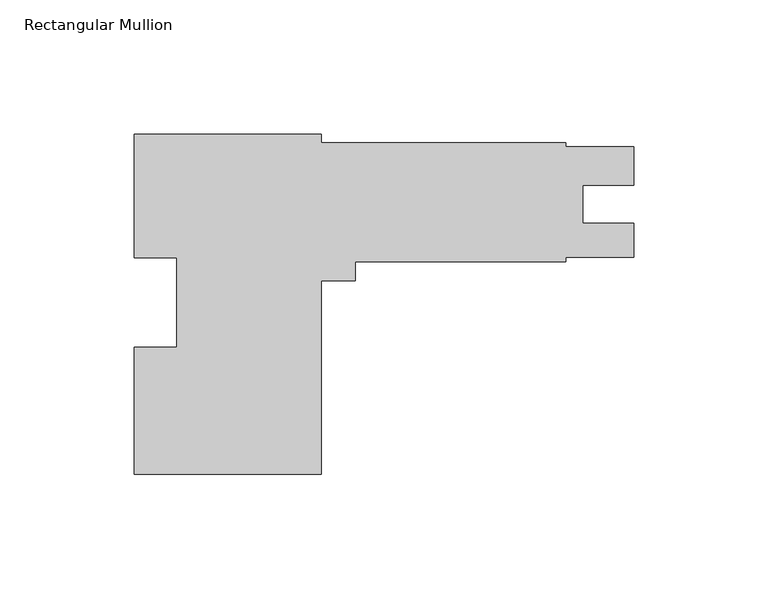
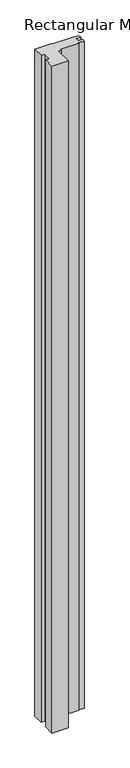
"""IFC4 building model written with IfcOpenShell, lengths in millimetres: member geometry, Rectangular Mullion."""

from ifc_helpers import new_model, si_unit, frame, origin, place, context, project, spatial, polyline, outline, extrude, source, transform, mapped, element, save


def rectangular_mullion_056deb19(model_context):
    return source(origin(), model_context, "Body", "SweptSolid", [
        extrude(outline(polyline([(-103.98125, 15.9639), (-103.98125, 8.801227), (-116.68125, 8.801227), (-116.68125, -63.4111), (-186.53125, -63.4111), (-186.53125, -15.9524201), (-170.65625, -15.9524201), (-170.65625, 17.3835766), (-186.53125, 17.3835766), (-186.53125, 63.5889), (-116.68125, 63.5889), (-116.68125, 60.4139), (-25.4, 60.4139), (-25.4, 58.8263837), (0.0, 58.8263837), (0.0, 44.5643), (-19.0372991, 44.5643), (-19.0372991, 30.2768), (0.0, 30.2768), (0.0, 17.5641), (-25.4, 17.5641), (-25.4, 15.9639), (-103.98125, 15.9639)])), frame((0.0, 0.0, -3048.0), z_axis=(0.0, 0.0, 1.0), x_axis=(1.0, 0.0, 0.0)), (0.0, 0.0, 1.0), 3048.0),
    ])


if __name__ == "__main__":
    model = new_model("IFC4")
    model_context = context("Model", 3, world=origin())
    ifc_project = project(units=[si_unit("LENGTHUNIT", "METRE", prefix="MILLI")], contexts=[model_context])
    site = spatial("IfcSite", under=ifc_project)
    building = spatial("IfcBuilding", under=site)
    placement = place(None, origin())
    rectangular_mullion_shape = rectangular_mullion_056deb19(model_context)
    element("IfcMember", 1, ObjectType="Rectangular Mullion", at=placement, inside=building, context=model_context, shape_type="MappedRepresentation", body=[
        mapped(rectangular_mullion_shape, transform((0.0, 0.0, 0.0), x_axis=(1.0, 0.0, 0.0), y_axis=(0.0, 1.0, 0.0), z_axis=(0.0, 0.0, 1.0))),
    ])
    save(model, "model.ifc")
